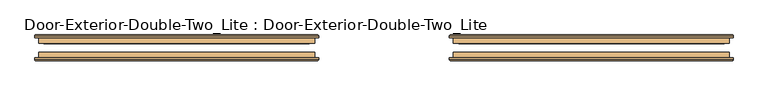
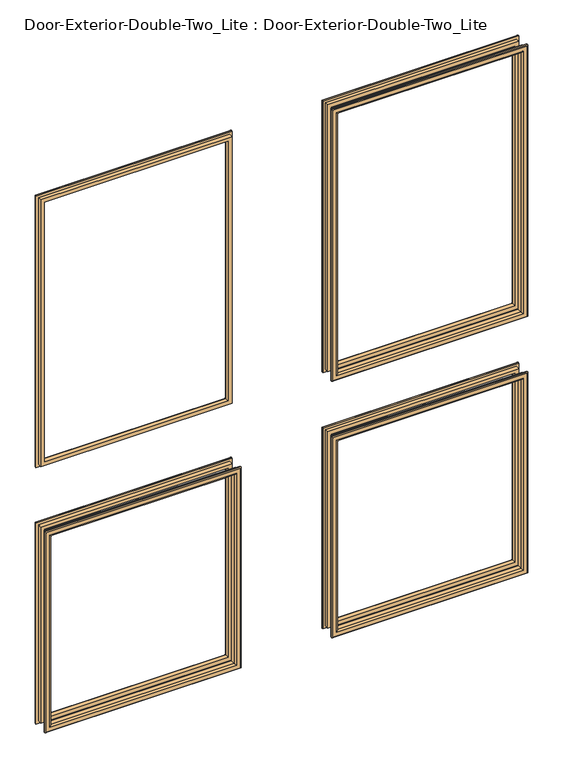
"""IFC4 building model written with IfcOpenShell, lengths in millimetres: door geometry, Door-Exterior-Double-Two_Lite : Door-Exterior-Double-Two_Lite."""

from ifc_helpers import new_model, si_unit, frame, origin, place, context, project, spatial, ellipse_curve, source, transform, mapped, element, save
from ifc_brep_helpers import plane_surface, cylinder_surface, advanced_brep


def door_exterior_double_two_lite_door_exterior_double_two_lite_549a8064(model_context):
    return source(origin(), model_context, "Body", "AdvancedBrep", [
        advanced_brep(
        [(-762.0, 69.85, 914.4), (-762.0, 82.55, 914.4), (-762.0, 82.55, 254.0), (-762.0, 69.85, 254.0), (-750.0, 83.55, 902.4), (-750.0, 69.85, 902.4), (-750.0, 69.85, 266.0), (-750.0, 83.55, 266.0), (-755.0, 88.55, 907.4), (-755.0, 88.55, 261.0), (-770.0, 86.55, 922.4), (-768.0, 88.55, 920.4), (-768.0, 88.55, 248.0), (-770.0, 86.55, 246.0), (-770.0, 82.55, 922.4), (-770.0, 82.55, 246.0), (-152.4, 82.55, 254.0), (-152.4, 69.85, 254.0), (-164.4, 69.85, 266.0), (-164.4, 83.55, 266.0), (-159.4, 88.55, 261.0), (-146.4, 88.55, 248.0), (-144.4, 86.55, 246.0), (-144.4, 82.55, 246.0), (-152.4, 82.55, 914.4), (-152.4, 69.85, 914.4), (-164.4, 69.85, 902.4), (-164.4, 83.55, 902.4), (-159.4, 88.55, 907.4), (-146.4, 88.55, 920.4), (-144.4, 86.55, 922.4), (-144.4, 82.55, 922.4)],
        [
            (0, 1),
            (1, 2),
            (2, 3),
            (3, 0),
            (4, 5),
            (5, 6),
            (6, 7),
            (7, 4),
            (8, 4, ellipse_curve(frame((-755.0, 83.55, 907.4), z_axis=(-0.7071067811865475, 0.0, -0.7071067811865475), x_axis=(-0.7071067811865474, 0.0, 0.7071067811865476)), 7.0710678, 5.0)),
            (7, 9, ellipse_curve(frame((-755.0, 83.55, 261.0), z_axis=(-0.7071067811865475, 0.0, 0.7071067811865475), x_axis=(0.7071067811865474, 0.0, 0.7071067811865476)), 7.0710678, 5.0)),
            (9, 8),
            (10, 11, ellipse_curve(frame((-768.0, 86.55, 920.4), z_axis=(-0.7071067811865475, 0.0, -0.7071067811865475), x_axis=(-0.7071067811865474, 0.0, 0.7071067811865476)), 2.8284271, 2.0)),
            (11, 12),
            (12, 13, ellipse_curve(frame((-768.0, 86.55, 248.0), z_axis=(-0.7071067811865475, 0.0, 0.7071067811865475), x_axis=(0.7071067811865474, 0.0, 0.7071067811865476)), 2.8284271, 2.0)),
            (13, 10),
            (14, 10),
            (13, 15),
            (15, 14),
            (2, 16),
            (16, 17),
            (17, 3),
            (6, 18),
            (18, 19),
            (19, 7),
            (19, 20, ellipse_curve(frame((-159.4, 83.55, 261.0), z_axis=(-0.7071067811865475, 0.0, -0.7071067811865475), x_axis=(-0.7071067811865476, 0.0, 0.7071067811865474)), 7.0710678, 5.0)),
            (20, 9),
            (12, 21),
            (21, 22, ellipse_curve(frame((-146.4, 86.55, 248.0), z_axis=(-0.7071067811865475, 0.0, -0.7071067811865475), x_axis=(-0.7071067811865476, 0.0, 0.7071067811865474)), 2.8284271, 2.0)),
            (22, 13),
            (22, 23),
            (23, 15),
            (16, 24),
            (24, 25),
            (25, 17),
            (18, 26),
            (26, 27),
            (27, 19),
            (27, 28, ellipse_curve(frame((-159.4, 83.55, 907.4), z_axis=(0.7071067811865475, 0.0, -0.7071067811865475), x_axis=(-0.7071067811865474, 0.0, -0.7071067811865476)), 7.0710678, 5.0)),
            (28, 20),
            (21, 29),
            (29, 30, ellipse_curve(frame((-146.4, 86.55, 920.4), z_axis=(0.7071067811865475, 0.0, -0.7071067811865475), x_axis=(-0.7071067811865474, 0.0, -0.7071067811865476)), 2.8284271, 2.0)),
            (30, 22),
            (30, 31),
            (31, 23),
            (31, 14),
            (1, 24),
            (0, 25),
            (5, 26),
            (4, 27),
            (8, 28),
            (11, 29),
            (10, 30),
        ],
        [
            plane_surface(frame((-762.0, 82.55, 914.4), z_axis=(-1.0, 0.0, 0.0), x_axis=(0.0, 0.0, -1.0))),
            plane_surface(frame((-750.0, 69.85, 902.4), z_axis=(1.0, 0.0, 0.0), x_axis=(0.0, 0.0, -1.0))),
            cylinder_surface(frame((-755.0, 83.55, 914.4), z_axis=(0.0, 0.0, 1.0), x_axis=(-1.0, 0.0, 0.0)), 5.0),
            cylinder_surface(frame((-768.0, 86.55, 914.4), z_axis=(0.0, 0.0, 1.0), x_axis=(-1.0, 0.0, 0.0)), 2.0),
            plane_surface(frame((-770.0, 86.55, 922.4), z_axis=(-1.0, 0.0, 0.0), x_axis=(0.0, 0.0, -1.0))),
            plane_surface(frame((-762.0, 82.55, 254.0), z_axis=(0.0, 0.0, -1.0), x_axis=(1.0, 0.0, 0.0))),
            plane_surface(frame((-750.0, 69.85, 266.0), z_axis=(0.0, 0.0, 1.0), x_axis=(1.0, 0.0, 0.0))),
            cylinder_surface(frame((-762.0, 83.55, 261.0), z_axis=(-1.0, 0.0, 0.0), x_axis=(0.0, 0.0, -1.0)), 5.0),
            cylinder_surface(frame((-762.0, 86.55, 248.0), z_axis=(-1.0, 0.0, 0.0), x_axis=(0.0, 0.0, -1.0)), 2.0),
            plane_surface(frame((-770.0, 86.55, 246.0), z_axis=(0.0, 0.0, -1.0), x_axis=(1.0, 0.0, 0.0))),
            plane_surface(frame((-152.4, 82.55, 254.0), z_axis=(1.0, 0.0, 0.0), x_axis=(0.0, 0.0, 1.0))),
            plane_surface(frame((-164.4, 69.85, 266.0), z_axis=(-1.0, 0.0, 0.0), x_axis=(0.0, 0.0, 1.0))),
            cylinder_surface(frame((-159.4, 83.55, 254.0), z_axis=(0.0, 0.0, -1.0), x_axis=(1.0, 0.0, 0.0)), 5.0),
            cylinder_surface(frame((-146.4, 86.55, 254.0), z_axis=(0.0, 0.0, -1.0), x_axis=(1.0, 0.0, 0.0)), 2.0),
            plane_surface(frame((-144.4, 86.55, 246.0), z_axis=(1.0, 0.0, 0.0), x_axis=(0.0, 0.0, 1.0))),
            plane_surface(frame((-144.4, 82.55, 922.4), z_axis=(0.0, -1.0, 0.0), x_axis=(-1.0, 0.0, 0.0))),
            plane_surface(frame((-152.4, 82.55, 914.4), z_axis=(0.0, 0.0, 1.0), x_axis=(-1.0, 0.0, 0.0))),
            plane_surface(frame((-152.4, 69.85, 914.4), z_axis=(0.0, -1.0, 0.0), x_axis=(-1.0, 0.0, 0.0))),
            plane_surface(frame((-164.4, 69.85, 902.4), z_axis=(0.0, 0.0, -1.0), x_axis=(-1.0, 0.0, 0.0))),
            cylinder_surface(frame((-152.4, 83.55, 907.4), z_axis=(1.0, 0.0, 0.0), x_axis=(0.0, 0.0, 1.0)), 5.0),
            plane_surface(frame((-159.4, 88.55, 907.4), z_axis=(0.0, 1.0, 0.0), x_axis=(-1.0, 0.0, 0.0))),
            cylinder_surface(frame((-152.4, 86.55, 920.4), z_axis=(1.0, 0.0, 0.0), x_axis=(0.0, 0.0, 1.0)), 2.0),
            plane_surface(frame((-144.4, 86.55, 922.4), z_axis=(0.0, 0.0, 1.0), x_axis=(-1.0, 0.0, 0.0))),
        ],
        [
            (0, [[1, 2, 3, 4]]),
            (1, [[5, 6, 7, 8]]),
            (2, [[9, -8, 10, 11]]),
            (3, [[12, 13, 14, 15]]),
            (4, [[16, -15, 17, 18]]),
            (5, [[-3, 19, 20, 21]]),
            (6, [[-7, 22, 23, 24]]),
            (7, [[-10, -24, 25, 26]]),
            (8, [[-14, 27, 28, 29]]),
            (9, [[-17, -29, 30, 31]]),
            (10, [[-20, 32, 33, 34]]),
            (11, [[-23, 35, 36, 37]]),
            (12, [[-25, -37, 38, 39]]),
            (13, [[-28, 40, 41, 42]]),
            (14, [[-30, -42, 43, 44]]),
            (15, [[-31, -44, 45, -18], [46, -32, -19, -2]]),
            (16, [[-33, -46, -1, 47]]),
            (17, [[-21, -34, -47, -4], [48, -35, -22, -6]]),
            (18, [[-36, -48, -5, 49]]),
            (19, [[-38, -49, -9, 50]]),
            (20, [[51, -40, -27, -13], [-26, -39, -50, -11]]),
            (21, [[-41, -51, -12, 52]]),
            (22, [[-43, -52, -16, -45]]),
        ],
    ),
        advanced_brep(
        [(152.4, 69.85, 914.4), (152.4, 82.55, 914.4), (152.4, 82.55, 254.0), (152.4, 69.85, 254.0), (164.4, 83.55, 902.4), (164.4, 69.85, 902.4), (164.4, 69.85, 266.0), (164.4, 83.55, 266.0), (159.4, 88.55, 907.4), (159.4, 88.55, 261.0), (144.4, 86.55, 922.4), (146.4, 88.55, 920.4), (146.4, 88.55, 248.0), (144.4, 86.55, 246.0), (144.4, 82.55, 922.4), (144.4, 82.55, 246.0), (762.0, 82.55, 254.0), (762.0, 69.85, 254.0), (750.0, 69.85, 266.0), (750.0, 83.55, 266.0), (755.0, 88.55, 261.0), (768.0, 88.55, 248.0), (770.0, 86.55, 246.0), (770.0, 82.55, 246.0), (762.0, 82.55, 914.4), (762.0, 69.85, 914.4), (750.0, 69.85, 902.4), (750.0, 83.55, 902.4), (755.0, 88.55, 907.4), (768.0, 88.55, 920.4), (770.0, 86.55, 922.4), (770.0, 82.55, 922.4)],
        [
            (0, 1),
            (1, 2),
            (2, 3),
            (3, 0),
            (4, 5),
            (5, 6),
            (6, 7),
            (7, 4),
            (8, 4, ellipse_curve(frame((159.4, 83.55, 907.4), z_axis=(-0.7071067811865475, 0.0, -0.7071067811865475), x_axis=(-0.7071067811865474, 0.0, 0.7071067811865476)), 7.0710678, 5.0)),
            (7, 9, ellipse_curve(frame((159.4, 83.55, 261.0), z_axis=(-0.7071067811865475, 0.0, 0.7071067811865475), x_axis=(0.7071067811865474, 0.0, 0.7071067811865476)), 7.0710678, 5.0)),
            (9, 8),
            (10, 11, ellipse_curve(frame((146.4, 86.55, 920.4), z_axis=(-0.7071067811865475, 0.0, -0.7071067811865475), x_axis=(-0.7071067811865474, 0.0, 0.7071067811865476)), 2.8284271, 2.0)),
            (11, 12),
            (12, 13, ellipse_curve(frame((146.4, 86.55, 248.0), z_axis=(-0.7071067811865475, 0.0, 0.7071067811865475), x_axis=(0.7071067811865474, 0.0, 0.7071067811865476)), 2.8284271, 2.0)),
            (13, 10),
            (14, 10),
            (13, 15),
            (15, 14),
            (2, 16),
            (16, 17),
            (17, 3),
            (6, 18),
            (18, 19),
            (19, 7),
            (19, 20, ellipse_curve(frame((755.0, 83.55, 261.0), z_axis=(-0.7071067811865475, 0.0, -0.7071067811865475), x_axis=(-0.7071067811865476, 0.0, 0.7071067811865474)), 7.0710678, 5.0)),
            (20, 9),
            (12, 21),
            (21, 22, ellipse_curve(frame((768.0, 86.55, 248.0), z_axis=(-0.7071067811865475, 0.0, -0.7071067811865475), x_axis=(-0.7071067811865476, 0.0, 0.7071067811865474)), 2.8284271, 2.0)),
            (22, 13),
            (22, 23),
            (23, 15),
            (16, 24),
            (24, 25),
            (25, 17),
            (18, 26),
            (26, 27),
            (27, 19),
            (27, 28, ellipse_curve(frame((755.0, 83.55, 907.4), z_axis=(0.7071067811865475, 0.0, -0.7071067811865475), x_axis=(-0.7071067811865474, 0.0, -0.7071067811865476)), 7.0710678, 5.0)),
            (28, 20),
            (21, 29),
            (29, 30, ellipse_curve(frame((768.0, 86.55, 920.4), z_axis=(0.7071067811865475, 0.0, -0.7071067811865475), x_axis=(-0.7071067811865474, 0.0, -0.7071067811865476)), 2.8284271, 2.0)),
            (30, 22),
            (30, 31),
            (31, 23),
            (31, 14),
            (1, 24),
            (0, 25),
            (5, 26),
            (4, 27),
            (8, 28),
            (11, 29),
            (10, 30),
        ],
        [
            plane_surface(frame((152.4, 82.55, 914.4), z_axis=(-1.0, 0.0, 0.0), x_axis=(0.0, 0.0, -1.0))),
            plane_surface(frame((164.4, 69.85, 902.4), z_axis=(1.0, 0.0, 0.0), x_axis=(0.0, 0.0, -1.0))),
            cylinder_surface(frame((159.4, 83.55, 914.4), z_axis=(0.0, 0.0, 1.0), x_axis=(-1.0, 0.0, 0.0)), 5.0),
            cylinder_surface(frame((146.4, 86.55, 914.4), z_axis=(0.0, 0.0, 1.0), x_axis=(-1.0, 0.0, 0.0)), 2.0),
            plane_surface(frame((144.4, 86.55, 922.4), z_axis=(-1.0, 0.0, 0.0), x_axis=(0.0, 0.0, -1.0))),
            plane_surface(frame((152.4, 82.55, 254.0), z_axis=(0.0, 0.0, -1.0), x_axis=(1.0, 0.0, 0.0))),
            plane_surface(frame((164.4, 69.85, 266.0), z_axis=(0.0, 0.0, 1.0), x_axis=(1.0, 0.0, 0.0))),
            cylinder_surface(frame((152.4, 83.55, 261.0), z_axis=(-1.0, 0.0, 0.0), x_axis=(0.0, 0.0, -1.0)), 5.0),
            cylinder_surface(frame((152.4, 86.55, 248.0), z_axis=(-1.0, 0.0, 0.0), x_axis=(0.0, 0.0, -1.0)), 2.0),
            plane_surface(frame((144.4, 86.55, 246.0), z_axis=(0.0, 0.0, -1.0), x_axis=(1.0, 0.0, 0.0))),
            plane_surface(frame((762.0, 82.55, 254.0), z_axis=(1.0, 0.0, 0.0), x_axis=(0.0, 0.0, 1.0))),
            plane_surface(frame((750.0, 69.85, 266.0), z_axis=(-1.0, 0.0, 0.0), x_axis=(0.0, 0.0, 1.0))),
            cylinder_surface(frame((755.0, 83.55, 254.0), z_axis=(0.0, 0.0, -1.0), x_axis=(1.0, 0.0, 0.0)), 5.0),
            cylinder_surface(frame((768.0, 86.55, 254.0), z_axis=(0.0, 0.0, -1.0), x_axis=(1.0, 0.0, 0.0)), 2.0),
            plane_surface(frame((770.0, 86.55, 246.0), z_axis=(1.0, 0.0, 0.0), x_axis=(0.0, 0.0, 1.0))),
            plane_surface(frame((770.0, 82.55, 922.4), z_axis=(0.0, -1.0, 0.0), x_axis=(-1.0, 0.0, 0.0))),
            plane_surface(frame((762.0, 82.55, 914.4), z_axis=(0.0, 0.0, 1.0), x_axis=(-1.0, 0.0, 0.0))),
            plane_surface(frame((762.0, 69.85, 914.4), z_axis=(0.0, -1.0, 0.0), x_axis=(-1.0, 0.0, 0.0))),
            plane_surface(frame((750.0, 69.85, 902.4), z_axis=(0.0, 0.0, -1.0), x_axis=(-1.0, 0.0, 0.0))),
            cylinder_surface(frame((762.0, 83.55, 907.4), z_axis=(1.0, 0.0, 0.0), x_axis=(0.0, 0.0, 1.0)), 5.0),
            plane_surface(frame((755.0, 88.55, 907.4), z_axis=(0.0, 1.0, 0.0), x_axis=(-1.0, 0.0, 0.0))),
            cylinder_surface(frame((762.0, 86.55, 920.4), z_axis=(1.0, 0.0, 0.0), x_axis=(0.0, 0.0, 1.0)), 2.0),
            plane_surface(frame((770.0, 86.55, 922.4), z_axis=(0.0, 0.0, 1.0), x_axis=(-1.0, 0.0, 0.0))),
        ],
        [
            (0, [[1, 2, 3, 4]]),
            (1, [[5, 6, 7, 8]]),
            (2, [[9, -8, 10, 11]]),
            (3, [[12, 13, 14, 15]]),
            (4, [[16, -15, 17, 18]]),
            (5, [[-3, 19, 20, 21]]),
            (6, [[-7, 22, 23, 24]]),
            (7, [[-10, -24, 25, 26]]),
            (8, [[-14, 27, 28, 29]]),
            (9, [[-17, -29, 30, 31]]),
            (10, [[-20, 32, 33, 34]]),
            (11, [[-23, 35, 36, 37]]),
            (12, [[-25, -37, 38, 39]]),
            (13, [[-28, 40, 41, 42]]),
            (14, [[-30, -42, 43, 44]]),
            (15, [[-31, -44, 45, -18], [46, -32, -19, -2]]),
            (16, [[-33, -46, -1, 47]]),
            (17, [[-21, -34, -47, -4], [48, -35, -22, -6]]),
            (18, [[-36, -48, -5, 49]]),
            (19, [[-38, -49, -9, 50]]),
            (20, [[51, -40, -27, -13], [-26, -39, -50, -11]]),
            (21, [[-41, -51, -12, 52]]),
            (22, [[-43, -52, -16, -45]]),
        ],
    ),
        advanced_brep(
        [(152.4, 69.85, 2016.125), (152.4, 82.55, 2016.125), (152.4, 82.55, 1117.6), (152.4, 69.85, 1117.6), (164.4, 83.55, 2004.125), (164.4, 69.85, 2004.125), (164.4, 69.85, 1129.6), (164.4, 83.55, 1129.6), (159.4, 88.55, 2009.125), (159.4, 88.55, 1124.6), (144.4, 86.55, 2024.125), (146.4, 88.55, 2022.125), (146.4, 88.55, 1111.6), (144.4, 86.55, 1109.6), (144.4, 82.55, 2024.125), (144.4, 82.55, 1109.6), (762.0, 82.55, 1117.6), (762.0, 69.85, 1117.6), (750.0, 69.85, 1129.6), (750.0, 83.55, 1129.6), (755.0, 88.55, 1124.6), (768.0, 88.55, 1111.6), (770.0, 86.55, 1109.6), (770.0, 82.55, 1109.6), (762.0, 82.55, 2016.125), (762.0, 69.85, 2016.125), (750.0, 69.85, 2004.125), (750.0, 83.55, 2004.125), (755.0, 88.55, 2009.125), (768.0, 88.55, 2022.125), (770.0, 86.55, 2024.125), (770.0, 82.55, 2024.125)],
        [
            (0, 1),
            (1, 2),
            (2, 3),
            (3, 0),
            (4, 5),
            (5, 6),
            (6, 7),
            (7, 4),
            (8, 4, ellipse_curve(frame((159.4, 83.55, 2009.125), z_axis=(-0.7071067811865475, 0.0, -0.7071067811865475), x_axis=(-0.7071067811865474, 0.0, 0.7071067811865476)), 7.0710678, 5.0)),
            (7, 9, ellipse_curve(frame((159.4, 83.55, 1124.6), z_axis=(-0.7071067811865475, 0.0, 0.7071067811865475), x_axis=(0.7071067811865474, 0.0, 0.7071067811865476)), 7.0710678, 5.0)),
            (9, 8),
            (10, 11, ellipse_curve(frame((146.4, 86.55, 2022.125), z_axis=(-0.7071067811865475, 0.0, -0.7071067811865475), x_axis=(-0.7071067811865474, 0.0, 0.7071067811865476)), 2.8284271, 2.0)),
            (11, 12),
            (12, 13, ellipse_curve(frame((146.4, 86.55, 1111.6), z_axis=(-0.7071067811865475, 0.0, 0.7071067811865475), x_axis=(0.7071067811865474, 0.0, 0.7071067811865476)), 2.8284271, 2.0)),
            (13, 10),
            (14, 10),
            (13, 15),
            (15, 14),
            (2, 16),
            (16, 17),
            (17, 3),
            (6, 18),
            (18, 19),
            (19, 7),
            (19, 20, ellipse_curve(frame((755.0, 83.55, 1124.6), z_axis=(-0.7071067811865475, 0.0, -0.7071067811865475), x_axis=(-0.7071067811865476, 0.0, 0.7071067811865474)), 7.0710678, 5.0)),
            (20, 9),
            (12, 21),
            (21, 22, ellipse_curve(frame((768.0, 86.55, 1111.6), z_axis=(-0.7071067811865475, 0.0, -0.7071067811865475), x_axis=(-0.7071067811865476, 0.0, 0.7071067811865474)), 2.8284271, 2.0)),
            (22, 13),
            (22, 23),
            (23, 15),
            (16, 24),
            (24, 25),
            (25, 17),
            (18, 26),
            (26, 27),
            (27, 19),
            (27, 28, ellipse_curve(frame((755.0, 83.55, 2009.125), z_axis=(0.7071067811865475, 0.0, -0.7071067811865475), x_axis=(-0.7071067811865474, 0.0, -0.7071067811865476)), 7.0710678, 5.0)),
            (28, 20),
            (21, 29),
            (29, 30, ellipse_curve(frame((768.0, 86.55, 2022.125), z_axis=(0.7071067811865475, 0.0, -0.7071067811865475), x_axis=(-0.7071067811865474, 0.0, -0.7071067811865476)), 2.8284271, 2.0)),
            (30, 22),
            (30, 31),
            (31, 23),
            (31, 14),
            (1, 24),
            (0, 25),
            (5, 26),
            (4, 27),
            (8, 28),
            (11, 29),
            (10, 30),
        ],
        [
            plane_surface(frame((152.4, 82.55, 2016.125), z_axis=(-1.0, 0.0, 0.0), x_axis=(0.0, 0.0, -1.0))),
            plane_surface(frame((164.4, 69.85, 2004.125), z_axis=(1.0, 0.0, 0.0), x_axis=(0.0, 0.0, -1.0))),
            cylinder_surface(frame((159.4, 83.55, 2016.125), z_axis=(0.0, 0.0, 1.0), x_axis=(-1.0, 0.0, 0.0)), 5.0),
            cylinder_surface(frame((146.4, 86.55, 2016.125), z_axis=(0.0, 0.0, 1.0), x_axis=(-1.0, 0.0, 0.0)), 2.0),
            plane_surface(frame((144.4, 86.55, 2024.125), z_axis=(-1.0, 0.0, 0.0), x_axis=(0.0, 0.0, -1.0))),
            plane_surface(frame((152.4, 82.55, 1117.6), z_axis=(0.0, 0.0, -1.0), x_axis=(1.0, 0.0, 0.0))),
            plane_surface(frame((164.4, 69.85, 1129.6), z_axis=(0.0, 0.0, 1.0), x_axis=(1.0, 0.0, 0.0))),
            cylinder_surface(frame((152.4, 83.55, 1124.6), z_axis=(-1.0, 0.0, 0.0), x_axis=(0.0, 0.0, -1.0)), 5.0),
            cylinder_surface(frame((152.4, 86.55, 1111.6), z_axis=(-1.0, 0.0, 0.0), x_axis=(0.0, 0.0, -1.0)), 2.0),
            plane_surface(frame((144.4, 86.55, 1109.6), z_axis=(0.0, 0.0, -1.0), x_axis=(1.0, 0.0, 0.0))),
            plane_surface(frame((762.0, 82.55, 1117.6), z_axis=(1.0, 0.0, 0.0), x_axis=(0.0, 0.0, 1.0))),
            plane_surface(frame((750.0, 69.85, 1129.6), z_axis=(-1.0, 0.0, 0.0), x_axis=(0.0, 0.0, 1.0))),
            cylinder_surface(frame((755.0, 83.55, 1117.6), z_axis=(0.0, 0.0, -1.0), x_axis=(1.0, 0.0, 0.0)), 5.0),
            cylinder_surface(frame((768.0, 86.55, 1117.6), z_axis=(0.0, 0.0, -1.0), x_axis=(1.0, 0.0, 0.0)), 2.0),
            plane_surface(frame((770.0, 86.55, 1109.6), z_axis=(1.0, 0.0, 0.0), x_axis=(0.0, 0.0, 1.0))),
            plane_surface(frame((770.0, 82.55, 2024.125), z_axis=(0.0, -1.0, 0.0), x_axis=(-1.0, 0.0, 0.0))),
            plane_surface(frame((762.0, 82.55, 2016.125), z_axis=(0.0, 0.0, 1.0), x_axis=(-1.0, 0.0, 0.0))),
            plane_surface(frame((762.0, 69.85, 2016.125), z_axis=(0.0, -1.0, 0.0), x_axis=(-1.0, 0.0, 0.0))),
            plane_surface(frame((750.0, 69.85, 2004.125), z_axis=(0.0, 0.0, -1.0), x_axis=(-1.0, 0.0, 0.0))),
            cylinder_surface(frame((762.0, 83.55, 2009.125), z_axis=(1.0, 0.0, 0.0), x_axis=(0.0, 0.0, 1.0)), 5.0),
            plane_surface(frame((755.0, 88.55, 2009.125), z_axis=(0.0, 1.0, 0.0), x_axis=(-1.0, 0.0, 0.0))),
            cylinder_surface(frame((762.0, 86.55, 2022.125), z_axis=(1.0, 0.0, 0.0), x_axis=(0.0, 0.0, 1.0)), 2.0),
            plane_surface(frame((770.0, 86.55, 2024.125), z_axis=(0.0, 0.0, 1.0), x_axis=(-1.0, 0.0, 0.0))),
        ],
        [
            (0, [[1, 2, 3, 4]]),
            (1, [[5, 6, 7, 8]]),
            (2, [[9, -8, 10, 11]]),
            (3, [[12, 13, 14, 15]]),
            (4, [[16, -15, 17, 18]]),
            (5, [[-3, 19, 20, 21]]),
            (6, [[-7, 22, 23, 24]]),
            (7, [[-10, -24, 25, 26]]),
            (8, [[-14, 27, 28, 29]]),
            (9, [[-17, -29, 30, 31]]),
            (10, [[-20, 32, 33, 34]]),
            (11, [[-23, 35, 36, 37]]),
            (12, [[-25, -37, 38, 39]]),
            (13, [[-28, 40, 41, 42]]),
            (14, [[-30, -42, 43, 44]]),
            (15, [[-31, -44, 45, -18], [46, -32, -19, -2]]),
            (16, [[-33, -46, -1, 47]]),
            (17, [[-21, -34, -47, -4], [48, -35, -22, -6]]),
            (18, [[-36, -48, -5, 49]]),
            (19, [[-38, -49, -9, 50]]),
            (20, [[51, -40, -27, -13], [-26, -39, -50, -11]]),
            (21, [[-41, -51, -12, 52]]),
            (22, [[-43, -52, -16, -45]]),
        ],
    ),
        advanced_brep(
        [(-762.0, 69.85, 2016.125), (-762.0, 82.55, 2016.125), (-762.0, 82.55, 1117.6), (-762.0, 69.85, 1117.6), (-750.0, 83.55, 2004.125), (-750.0, 69.85, 2004.125), (-750.0, 69.85, 1129.6), (-750.0, 83.55, 1129.6), (-755.0, 88.55, 2009.125), (-755.0, 88.55, 1124.6), (-770.0, 86.55, 2024.125), (-768.0, 88.55, 2022.125), (-768.0, 88.55, 1111.6), (-770.0, 86.55, 1109.6), (-770.0, 82.55, 2024.125), (-770.0, 82.55, 1109.6), (-152.4, 82.55, 1117.6), (-152.4, 69.85, 1117.6), (-164.4, 69.85, 1129.6), (-164.4, 83.55, 1129.6), (-159.4, 88.55, 1124.6), (-146.4, 88.55, 1111.6), (-144.4, 86.55, 1109.6), (-144.4, 82.55, 1109.6), (-152.4, 82.55, 2016.125), (-152.4, 69.85, 2016.125), (-164.4, 69.85, 2004.125), (-164.4, 83.55, 2004.125), (-159.4, 88.55, 2009.125), (-146.4, 88.55, 2022.125), (-144.4, 86.55, 2024.125), (-144.4, 82.55, 2024.125)],
        [
            (0, 1),
            (1, 2),
            (2, 3),
            (3, 0),
            (4, 5),
            (5, 6),
            (6, 7),
            (7, 4),
            (8, 4, ellipse_curve(frame((-755.0, 83.55, 2009.125), z_axis=(-0.7071067811865475, 0.0, -0.7071067811865475), x_axis=(-0.7071067811865474, 0.0, 0.7071067811865476)), 7.0710678, 5.0)),
            (7, 9, ellipse_curve(frame((-755.0, 83.55, 1124.6), z_axis=(-0.7071067811865475, 0.0, 0.7071067811865475), x_axis=(0.7071067811865474, 0.0, 0.7071067811865476)), 7.0710678, 5.0)),
            (9, 8),
            (10, 11, ellipse_curve(frame((-768.0, 86.55, 2022.125), z_axis=(-0.7071067811865475, 0.0, -0.7071067811865475), x_axis=(-0.7071067811865474, 0.0, 0.7071067811865476)), 2.8284271, 2.0)),
            (11, 12),
            (12, 13, ellipse_curve(frame((-768.0, 86.55, 1111.6), z_axis=(-0.7071067811865475, 0.0, 0.7071067811865475), x_axis=(0.7071067811865474, 0.0, 0.7071067811865476)), 2.8284271, 2.0)),
            (13, 10),
            (14, 10),
            (13, 15),
            (15, 14),
            (2, 16),
            (16, 17),
            (17, 3),
            (6, 18),
            (18, 19),
            (19, 7),
            (19, 20, ellipse_curve(frame((-159.4, 83.55, 1124.6), z_axis=(-0.7071067811865475, 0.0, -0.7071067811865475), x_axis=(-0.7071067811865476, 0.0, 0.7071067811865474)), 7.0710678, 5.0)),
            (20, 9),
            (12, 21),
            (21, 22, ellipse_curve(frame((-146.4, 86.55, 1111.6), z_axis=(-0.7071067811865475, 0.0, -0.7071067811865475), x_axis=(-0.7071067811865476, 0.0, 0.7071067811865474)), 2.8284271, 2.0)),
            (22, 13),
            (22, 23),
            (23, 15),
            (16, 24),
            (24, 25),
            (25, 17),
            (18, 26),
            (26, 27),
            (27, 19),
            (27, 28, ellipse_curve(frame((-159.4, 83.55, 2009.125), z_axis=(0.7071067811865475, 0.0, -0.7071067811865475), x_axis=(-0.7071067811865474, 0.0, -0.7071067811865476)), 7.0710678, 5.0)),
            (28, 20),
            (21, 29),
            (29, 30, ellipse_curve(frame((-146.4, 86.55, 2022.125), z_axis=(0.7071067811865475, 0.0, -0.7071067811865475), x_axis=(-0.7071067811865474, 0.0, -0.7071067811865476)), 2.8284271, 2.0)),
            (30, 22),
            (30, 31),
            (31, 23),
            (31, 14),
            (1, 24),
            (0, 25),
            (5, 26),
            (4, 27),
            (8, 28),
            (11, 29),
            (10, 30),
        ],
        [
            plane_surface(frame((-762.0, 82.55, 2016.125), z_axis=(-1.0, 0.0, 0.0), x_axis=(0.0, 0.0, -1.0))),
            plane_surface(frame((-750.0, 69.85, 2004.125), z_axis=(1.0, 0.0, 0.0), x_axis=(0.0, 0.0, -1.0))),
            cylinder_surface(frame((-755.0, 83.55, 2016.125), z_axis=(0.0, 0.0, 1.0), x_axis=(-1.0, 0.0, 0.0)), 5.0),
            cylinder_surface(frame((-768.0, 86.55, 2016.125), z_axis=(0.0, 0.0, 1.0), x_axis=(-1.0, 0.0, 0.0)), 2.0),
            plane_surface(frame((-770.0, 86.55, 2024.125), z_axis=(-1.0, 0.0, 0.0), x_axis=(0.0, 0.0, -1.0))),
            plane_surface(frame((-762.0, 82.55, 1117.6), z_axis=(0.0, 0.0, -1.0), x_axis=(1.0, 0.0, 0.0))),
            plane_surface(frame((-750.0, 69.85, 1129.6), z_axis=(0.0, 0.0, 1.0), x_axis=(1.0, 0.0, 0.0))),
            cylinder_surface(frame((-762.0, 83.55, 1124.6), z_axis=(-1.0, 0.0, 0.0), x_axis=(0.0, 0.0, -1.0)), 5.0),
            cylinder_surface(frame((-762.0, 86.55, 1111.6), z_axis=(-1.0, 0.0, 0.0), x_axis=(0.0, 0.0, -1.0)), 2.0),
            plane_surface(frame((-770.0, 86.55, 1109.6), z_axis=(0.0, 0.0, -1.0), x_axis=(1.0, 0.0, 0.0))),
            plane_surface(frame((-152.4, 82.55, 1117.6), z_axis=(1.0, 0.0, 0.0), x_axis=(0.0, 0.0, 1.0))),
            plane_surface(frame((-164.4, 69.85, 1129.6), z_axis=(-1.0, 0.0, 0.0), x_axis=(0.0, 0.0, 1.0))),
            cylinder_surface(frame((-159.4, 83.55, 1117.6), z_axis=(0.0, 0.0, -1.0), x_axis=(1.0, 0.0, 0.0)), 5.0),
            cylinder_surface(frame((-146.4, 86.55, 1117.6), z_axis=(0.0, 0.0, -1.0), x_axis=(1.0, 0.0, 0.0)), 2.0),
            plane_surface(frame((-144.4, 86.55, 1109.6), z_axis=(1.0, 0.0, 0.0), x_axis=(0.0, 0.0, 1.0))),
            plane_surface(frame((-144.4, 82.55, 2024.125), z_axis=(0.0, -1.0, 0.0), x_axis=(-1.0, 0.0, 0.0))),
            plane_surface(frame((-152.4, 82.55, 2016.125), z_axis=(0.0, 0.0, 1.0), x_axis=(-1.0, 0.0, 0.0))),
            plane_surface(frame((-152.4, 69.85, 2016.125), z_axis=(0.0, -1.0, 0.0), x_axis=(-1.0, 0.0, 0.0))),
            plane_surface(frame((-164.4, 69.85, 2004.125), z_axis=(0.0, 0.0, -1.0), x_axis=(-1.0, 0.0, 0.0))),
            cylinder_surface(frame((-152.4, 83.55, 2009.125), z_axis=(1.0, 0.0, 0.0), x_axis=(0.0, 0.0, 1.0)), 5.0),
            plane_surface(frame((-159.4, 88.55, 2009.125), z_axis=(0.0, 1.0, 0.0), x_axis=(-1.0, 0.0, 0.0))),
            cylinder_surface(frame((-152.4, 86.55, 2022.125), z_axis=(1.0, 0.0, 0.0), x_axis=(0.0, 0.0, 1.0)), 2.0),
            plane_surface(frame((-144.4, 86.55, 2024.125), z_axis=(0.0, 0.0, 1.0), x_axis=(-1.0, 0.0, 0.0))),
        ],
        [
            (0, [[1, 2, 3, 4]]),
            (1, [[5, 6, 7, 8]]),
            (2, [[9, -8, 10, 11]]),
            (3, [[12, 13, 14, 15]]),
            (4, [[16, -15, 17, 18]]),
            (5, [[-3, 19, 20, 21]]),
            (6, [[-7, 22, 23, 24]]),
            (7, [[-10, -24, 25, 26]]),
            (8, [[-14, 27, 28, 29]]),
            (9, [[-17, -29, 30, 31]]),
            (10, [[-20, 32, 33, 34]]),
            (11, [[-23, 35, 36, 37]]),
            (12, [[-25, -37, 38, 39]]),
            (13, [[-28, 40, 41, 42]]),
            (14, [[-30, -42, 43, 44]]),
            (15, [[-31, -44, 45, -18], [46, -32, -19, -2]]),
            (16, [[-33, -46, -1, 47]]),
            (17, [[-21, -34, -47, -4], [48, -35, -22, -6]]),
            (18, [[-36, -48, -5, 49]]),
            (19, [[-38, -49, -9, 50]]),
            (20, [[51, -40, -27, -13], [-26, -39, -50, -11]]),
            (21, [[-41, -51, -12, 52]]),
            (22, [[-43, -52, -16, -45]]),
        ],
    ),
        advanced_brep(
        [(-762.0, 50.8, 254.0), (-762.0, 38.1, 254.0), (-762.0, 38.1, 914.4), (-762.0, 50.8, 914.4), (-750.0, 37.1, 266.0), (-750.0, 50.8, 266.0), (-750.0, 50.8, 902.4), (-750.0, 37.1, 902.4), (-755.0, 32.1, 261.0), (-755.0, 32.1, 907.4), (-770.0, 34.1, 246.0), (-768.0, 32.1, 248.0), (-768.0, 32.1, 920.4), (-770.0, 34.1, 922.4), (-770.0, 38.1, 246.0), (-770.0, 38.1, 922.4), (-152.4, 38.1, 914.4), (-152.4, 50.8, 914.4), (-164.4, 50.8, 902.4), (-164.4, 37.1, 902.4), (-159.4, 32.1, 907.4), (-146.4, 32.1, 920.4), (-144.4, 34.1, 922.4), (-144.4, 38.1, 922.4), (-152.4, 38.1, 254.0), (-152.4, 50.8, 254.0), (-164.4, 50.8, 266.0), (-164.4, 37.1, 266.0), (-159.4, 32.1, 261.0), (-146.4, 32.1, 248.0), (-144.4, 34.1, 246.0), (-144.4, 38.1, 246.0)],
        [
            (0, 1),
            (1, 2),
            (2, 3),
            (3, 0),
            (4, 5),
            (5, 6),
            (6, 7),
            (7, 4),
            (8, 4, ellipse_curve(frame((-755.0, 37.1, 261.0), z_axis=(-0.7071067811865475, 0.0, 0.7071067811865475), x_axis=(-0.7071067811865474, 0.0, -0.7071067811865476)), 7.0710678, 5.0)),
            (7, 9, ellipse_curve(frame((-755.0, 37.1, 907.4), z_axis=(-0.7071067811865475, 0.0, -0.7071067811865475), x_axis=(0.7071067811865474, 0.0, -0.7071067811865476)), 7.0710678, 5.0)),
            (9, 8),
            (10, 11, ellipse_curve(frame((-768.0, 34.1, 248.0), z_axis=(-0.7071067811865475, 0.0, 0.7071067811865475), x_axis=(-0.7071067811865474, 0.0, -0.7071067811865476)), 2.8284271, 2.0)),
            (11, 12),
            (12, 13, ellipse_curve(frame((-768.0, 34.1, 920.4), z_axis=(-0.7071067811865475, 0.0, -0.7071067811865475), x_axis=(0.7071067811865474, 0.0, -0.7071067811865476)), 2.8284271, 2.0)),
            (13, 10),
            (14, 10),
            (13, 15),
            (15, 14),
            (2, 16),
            (16, 17),
            (17, 3),
            (6, 18),
            (18, 19),
            (19, 7),
            (19, 20, ellipse_curve(frame((-159.4, 37.1, 907.4), z_axis=(-0.7071067811865475, 0.0, 0.7071067811865475), x_axis=(-0.7071067811865476, 0.0, -0.7071067811865474)), 7.0710678, 5.0)),
            (20, 9),
            (12, 21),
            (21, 22, ellipse_curve(frame((-146.4, 34.1, 920.4), z_axis=(-0.7071067811865475, 0.0, 0.7071067811865475), x_axis=(-0.7071067811865476, 0.0, -0.7071067811865474)), 2.8284271, 2.0)),
            (22, 13),
            (22, 23),
            (23, 15),
            (16, 24),
            (24, 25),
            (25, 17),
            (18, 26),
            (26, 27),
            (27, 19),
            (27, 28, ellipse_curve(frame((-159.4, 37.1, 261.0), z_axis=(0.7071067811865475, 0.0, 0.7071067811865475), x_axis=(-0.7071067811865474, 0.0, 0.7071067811865476)), 7.0710678, 5.0)),
            (28, 20),
            (21, 29),
            (29, 30, ellipse_curve(frame((-146.4, 34.1, 248.0), z_axis=(0.7071067811865475, 0.0, 0.7071067811865475), x_axis=(-0.7071067811865474, 0.0, 0.7071067811865476)), 2.8284271, 2.0)),
            (30, 22),
            (30, 31),
            (31, 23),
            (31, 14),
            (1, 24),
            (0, 25),
            (5, 26),
            (4, 27),
            (8, 28),
            (11, 29),
            (10, 30),
        ],
        [
            plane_surface(frame((-762.0, 38.1, 254.0), z_axis=(-1.0, 0.0, 0.0), x_axis=(0.0, 0.0, 1.0))),
            plane_surface(frame((-750.0, 50.8, 266.0), z_axis=(1.0, 0.0, 0.0), x_axis=(0.0, 0.0, 1.0))),
            cylinder_surface(frame((-755.0, 37.1, 254.0), z_axis=(0.0, 0.0, -1.0), x_axis=(-1.0, 0.0, 0.0)), 5.0),
            cylinder_surface(frame((-768.0, 34.1, 254.0), z_axis=(0.0, 0.0, -1.0), x_axis=(-1.0, 0.0, 0.0)), 2.0),
            plane_surface(frame((-770.0, 34.1, 246.0), z_axis=(-1.0, 0.0, 0.0), x_axis=(0.0, 0.0, 1.0))),
            plane_surface(frame((-762.0, 38.1, 914.4), z_axis=(0.0, 0.0, 1.0), x_axis=(1.0, 0.0, 0.0))),
            plane_surface(frame((-750.0, 50.8, 902.4), z_axis=(0.0, 0.0, -1.0), x_axis=(1.0, 0.0, 0.0))),
            cylinder_surface(frame((-762.0, 37.1, 907.4), z_axis=(-1.0, 0.0, 0.0), x_axis=(0.0, 0.0, 1.0)), 5.0),
            cylinder_surface(frame((-762.0, 34.1, 920.4), z_axis=(-1.0, 0.0, 0.0), x_axis=(0.0, 0.0, 1.0)), 2.0),
            plane_surface(frame((-770.0, 34.1, 922.4), z_axis=(0.0, 0.0, 1.0), x_axis=(1.0, 0.0, 0.0))),
            plane_surface(frame((-152.4, 38.1, 914.4), z_axis=(1.0, 0.0, 0.0), x_axis=(0.0, 0.0, -1.0))),
            plane_surface(frame((-164.4, 50.8, 902.4), z_axis=(-1.0, 0.0, 0.0), x_axis=(0.0, 0.0, -1.0))),
            cylinder_surface(frame((-159.4, 37.1, 914.4), z_axis=(0.0, 0.0, 1.0), x_axis=(1.0, 0.0, 0.0)), 5.0),
            cylinder_surface(frame((-146.4, 34.1, 914.4), z_axis=(0.0, 0.0, 1.0), x_axis=(1.0, 0.0, 0.0)), 2.0),
            plane_surface(frame((-144.4, 34.1, 922.4), z_axis=(1.0, 0.0, 0.0), x_axis=(0.0, 0.0, -1.0))),
            plane_surface(frame((-144.4, 38.1, 246.0), z_axis=(0.0, 1.0, 0.0), x_axis=(-1.0, 0.0, 0.0))),
            plane_surface(frame((-152.4, 38.1, 254.0), z_axis=(0.0, 0.0, -1.0), x_axis=(-1.0, 0.0, 0.0))),
            plane_surface(frame((-152.4, 50.8, 254.0), z_axis=(0.0, 1.0, 0.0), x_axis=(-1.0, 0.0, 0.0))),
            plane_surface(frame((-164.4, 50.8, 266.0), z_axis=(0.0, 0.0, 1.0), x_axis=(-1.0, 0.0, 0.0))),
            cylinder_surface(frame((-152.4, 37.1, 261.0), z_axis=(1.0, 0.0, 0.0), x_axis=(0.0, 0.0, -1.0)), 5.0),
            plane_surface(frame((-159.4, 32.1, 261.0), z_axis=(0.0, -1.0, 0.0), x_axis=(-1.0, 0.0, 0.0))),
            cylinder_surface(frame((-152.4, 34.1, 248.0), z_axis=(1.0, 0.0, 0.0), x_axis=(0.0, 0.0, -1.0)), 2.0),
            plane_surface(frame((-144.4, 34.1, 246.0), z_axis=(0.0, 0.0, -1.0), x_axis=(-1.0, 0.0, 0.0))),
        ],
        [
            (0, [[1, 2, 3, 4]]),
            (1, [[5, 6, 7, 8]]),
            (2, [[9, -8, 10, 11]]),
            (3, [[12, 13, 14, 15]]),
            (4, [[16, -15, 17, 18]]),
            (5, [[-3, 19, 20, 21]]),
            (6, [[-7, 22, 23, 24]]),
            (7, [[-10, -24, 25, 26]]),
            (8, [[-14, 27, 28, 29]]),
            (9, [[-17, -29, 30, 31]]),
            (10, [[-20, 32, 33, 34]]),
            (11, [[-23, 35, 36, 37]]),
            (12, [[-25, -37, 38, 39]]),
            (13, [[-28, 40, 41, 42]]),
            (14, [[-30, -42, 43, 44]]),
            (15, [[-31, -44, 45, -18], [46, -32, -19, -2]]),
            (16, [[-33, -46, -1, 47]]),
            (17, [[-21, -34, -47, -4], [48, -35, -22, -6]]),
            (18, [[-36, -48, -5, 49]]),
            (19, [[-38, -49, -9, 50]]),
            (20, [[51, -40, -27, -13], [-26, -39, -50, -11]]),
            (21, [[-41, -51, -12, 52]]),
            (22, [[-43, -52, -16, -45]]),
        ],
    ),
        advanced_brep(
        [(152.4, 50.8, 254.0), (152.4, 38.1, 254.0), (152.4, 38.1, 914.4), (152.4, 50.8, 914.4), (164.4, 37.1, 266.0), (164.4, 50.8, 266.0), (164.4, 50.8, 902.4), (164.4, 37.1, 902.4), (159.4, 32.1, 261.0), (159.4, 32.1, 907.4), (144.4, 34.1, 246.0), (146.4, 32.1, 248.0), (146.4, 32.1, 920.4), (144.4, 34.1, 922.4), (144.4, 38.1, 246.0), (144.4, 38.1, 922.4), (762.0, 38.1, 914.4), (762.0, 50.8, 914.4), (750.0, 50.8, 902.4), (750.0, 37.1, 902.4), (755.0, 32.1, 907.4), (768.0, 32.1, 920.4), (770.0, 34.1, 922.4), (770.0, 38.1, 922.4), (762.0, 38.1, 254.0), (762.0, 50.8, 254.0), (750.0, 50.8, 266.0), (750.0, 37.1, 266.0), (755.0, 32.1, 261.0), (768.0, 32.1, 248.0), (770.0, 34.1, 246.0), (770.0, 38.1, 246.0)],
        [
            (0, 1),
            (1, 2),
            (2, 3),
            (3, 0),
            (4, 5),
            (5, 6),
            (6, 7),
            (7, 4),
            (8, 4, ellipse_curve(frame((159.4, 37.1, 261.0), z_axis=(-0.7071067811865475, 0.0, 0.7071067811865475), x_axis=(-0.7071067811865474, 0.0, -0.7071067811865476)), 7.0710678, 5.0)),
            (7, 9, ellipse_curve(frame((159.4, 37.1, 907.4), z_axis=(-0.7071067811865475, 0.0, -0.7071067811865475), x_axis=(0.7071067811865474, 0.0, -0.7071067811865476)), 7.0710678, 5.0)),
            (9, 8),
            (10, 11, ellipse_curve(frame((146.4, 34.1, 248.0), z_axis=(-0.7071067811865475, 0.0, 0.7071067811865475), x_axis=(-0.7071067811865474, 0.0, -0.7071067811865476)), 2.8284271, 2.0)),
            (11, 12),
            (12, 13, ellipse_curve(frame((146.4, 34.1, 920.4), z_axis=(-0.7071067811865475, 0.0, -0.7071067811865475), x_axis=(0.7071067811865474, 0.0, -0.7071067811865476)), 2.8284271, 2.0)),
            (13, 10),
            (14, 10),
            (13, 15),
            (15, 14),
            (2, 16),
            (16, 17),
            (17, 3),
            (6, 18),
            (18, 19),
            (19, 7),
            (19, 20, ellipse_curve(frame((755.0, 37.1, 907.4), z_axis=(-0.7071067811865475, 0.0, 0.7071067811865475), x_axis=(-0.7071067811865476, 0.0, -0.7071067811865474)), 7.0710678, 5.0)),
            (20, 9),
            (12, 21),
            (21, 22, ellipse_curve(frame((768.0, 34.1, 920.4), z_axis=(-0.7071067811865475, 0.0, 0.7071067811865475), x_axis=(-0.7071067811865476, 0.0, -0.7071067811865474)), 2.8284271, 2.0)),
            (22, 13),
            (22, 23),
            (23, 15),
            (16, 24),
            (24, 25),
            (25, 17),
            (18, 26),
            (26, 27),
            (27, 19),
            (27, 28, ellipse_curve(frame((755.0, 37.1, 261.0), z_axis=(0.7071067811865475, 0.0, 0.7071067811865475), x_axis=(-0.7071067811865474, 0.0, 0.7071067811865476)), 7.0710678, 5.0)),
            (28, 20),
            (21, 29),
            (29, 30, ellipse_curve(frame((768.0, 34.1, 248.0), z_axis=(0.7071067811865475, 0.0, 0.7071067811865475), x_axis=(-0.7071067811865474, 0.0, 0.7071067811865476)), 2.8284271, 2.0)),
            (30, 22),
            (30, 31),
            (31, 23),
            (31, 14),
            (1, 24),
            (0, 25),
            (5, 26),
            (4, 27),
            (8, 28),
            (11, 29),
            (10, 30),
        ],
        [
            plane_surface(frame((152.4, 38.1, 254.0), z_axis=(-1.0, 0.0, 0.0), x_axis=(0.0, 0.0, 1.0))),
            plane_surface(frame((164.4, 50.8, 266.0), z_axis=(1.0, 0.0, 0.0), x_axis=(0.0, 0.0, 1.0))),
            cylinder_surface(frame((159.4, 37.1, 254.0), z_axis=(0.0, 0.0, -1.0), x_axis=(-1.0, 0.0, 0.0)), 5.0),
            cylinder_surface(frame((146.4, 34.1, 254.0), z_axis=(0.0, 0.0, -1.0), x_axis=(-1.0, 0.0, 0.0)), 2.0),
            plane_surface(frame((144.4, 34.1, 246.0), z_axis=(-1.0, 0.0, 0.0), x_axis=(0.0, 0.0, 1.0))),
            plane_surface(frame((152.4, 38.1, 914.4), z_axis=(0.0, 0.0, 1.0), x_axis=(1.0, 0.0, 0.0))),
            plane_surface(frame((164.4, 50.8, 902.4), z_axis=(0.0, 0.0, -1.0), x_axis=(1.0, 0.0, 0.0))),
            cylinder_surface(frame((152.4, 37.1, 907.4), z_axis=(-1.0, 0.0, 0.0), x_axis=(0.0, 0.0, 1.0)), 5.0),
            cylinder_surface(frame((152.4, 34.1, 920.4), z_axis=(-1.0, 0.0, 0.0), x_axis=(0.0, 0.0, 1.0)), 2.0),
            plane_surface(frame((144.4, 34.1, 922.4), z_axis=(0.0, 0.0, 1.0), x_axis=(1.0, 0.0, 0.0))),
            plane_surface(frame((762.0, 38.1, 914.4), z_axis=(1.0, 0.0, 0.0), x_axis=(0.0, 0.0, -1.0))),
            plane_surface(frame((750.0, 50.8, 902.4), z_axis=(-1.0, 0.0, 0.0), x_axis=(0.0, 0.0, -1.0))),
            cylinder_surface(frame((755.0, 37.1, 914.4), z_axis=(0.0, 0.0, 1.0), x_axis=(1.0, 0.0, 0.0)), 5.0),
            cylinder_surface(frame((768.0, 34.1, 914.4), z_axis=(0.0, 0.0, 1.0), x_axis=(1.0, 0.0, 0.0)), 2.0),
            plane_surface(frame((770.0, 34.1, 922.4), z_axis=(1.0, 0.0, 0.0), x_axis=(0.0, 0.0, -1.0))),
            plane_surface(frame((770.0, 38.1, 246.0), z_axis=(0.0, 1.0, 0.0), x_axis=(-1.0, 0.0, 0.0))),
            plane_surface(frame((762.0, 38.1, 254.0), z_axis=(0.0, 0.0, -1.0), x_axis=(-1.0, 0.0, 0.0))),
            plane_surface(frame((762.0, 50.8, 254.0), z_axis=(0.0, 1.0, 0.0), x_axis=(-1.0, 0.0, 0.0))),
            plane_surface(frame((750.0, 50.8, 266.0), z_axis=(0.0, 0.0, 1.0), x_axis=(-1.0, 0.0, 0.0))),
            cylinder_surface(frame((762.0, 37.1, 261.0), z_axis=(1.0, 0.0, 0.0), x_axis=(0.0, 0.0, -1.0)), 5.0),
            plane_surface(frame((755.0, 32.1, 261.0), z_axis=(0.0, -1.0, 0.0), x_axis=(-1.0, 0.0, 0.0))),
            cylinder_surface(frame((762.0, 34.1, 248.0), z_axis=(1.0, 0.0, 0.0), x_axis=(0.0, 0.0, -1.0)), 2.0),
            plane_surface(frame((770.0, 34.1, 246.0), z_axis=(0.0, 0.0, -1.0), x_axis=(-1.0, 0.0, 0.0))),
        ],
        [
            (0, [[1, 2, 3, 4]]),
            (1, [[5, 6, 7, 8]]),
            (2, [[9, -8, 10, 11]]),
            (3, [[12, 13, 14, 15]]),
            (4, [[16, -15, 17, 18]]),
            (5, [[-3, 19, 20, 21]]),
            (6, [[-7, 22, 23, 24]]),
            (7, [[-10, -24, 25, 26]]),
            (8, [[-14, 27, 28, 29]]),
            (9, [[-17, -29, 30, 31]]),
            (10, [[-20, 32, 33, 34]]),
            (11, [[-23, 35, 36, 37]]),
            (12, [[-25, -37, 38, 39]]),
            (13, [[-28, 40, 41, 42]]),
            (14, [[-30, -42, 43, 44]]),
            (15, [[-31, -44, 45, -18], [46, -32, -19, -2]]),
            (16, [[-33, -46, -1, 47]]),
            (17, [[-21, -34, -47, -4], [48, -35, -22, -6]]),
            (18, [[-36, -48, -5, 49]]),
            (19, [[-38, -49, -9, 50]]),
            (20, [[51, -40, -27, -13], [-26, -39, -50, -11]]),
            (21, [[-41, -51, -12, 52]]),
            (22, [[-43, -52, -16, -45]]),
        ],
    ),
        advanced_brep(
        [(152.4, 50.8, 1117.6), (152.4, 38.1, 1117.6), (152.4, 38.1, 2016.125), (152.4, 50.8, 2016.125), (164.4, 37.1, 1129.6), (164.4, 50.8, 1129.6), (164.4, 50.8, 2004.125), (164.4, 37.1, 2004.125), (159.4, 32.1, 1124.6), (159.4, 32.1, 2009.125), (144.4, 34.1, 1109.6), (146.4, 32.1, 1111.6), (146.4, 32.1, 2022.125), (144.4, 34.1, 2024.125), (144.4, 38.1, 1109.6), (144.4, 38.1, 2024.125), (762.0, 38.1, 2016.125), (762.0, 50.8, 2016.125), (750.0, 50.8, 2004.125), (750.0, 37.1, 2004.125), (755.0, 32.1, 2009.125), (768.0, 32.1, 2022.125), (770.0, 34.1, 2024.125), (770.0, 38.1, 2024.125), (762.0, 38.1, 1117.6), (762.0, 50.8, 1117.6), (750.0, 50.8, 1129.6), (750.0, 37.1, 1129.6), (755.0, 32.1, 1124.6), (768.0, 32.1, 1111.6), (770.0, 34.1, 1109.6), (770.0, 38.1, 1109.6)],
        [
            (0, 1),
            (1, 2),
            (2, 3),
            (3, 0),
            (4, 5),
            (5, 6),
            (6, 7),
            (7, 4),
            (8, 4, ellipse_curve(frame((159.4, 37.1, 1124.6), z_axis=(-0.7071067811865475, 0.0, 0.7071067811865475), x_axis=(-0.7071067811865474, 0.0, -0.7071067811865476)), 7.0710678, 5.0)),
            (7, 9, ellipse_curve(frame((159.4, 37.1, 2009.125), z_axis=(-0.7071067811865475, 0.0, -0.7071067811865475), x_axis=(0.7071067811865474, 0.0, -0.7071067811865476)), 7.0710678, 5.0)),
            (9, 8),
            (10, 11, ellipse_curve(frame((146.4, 34.1, 1111.6), z_axis=(-0.7071067811865475, 0.0, 0.7071067811865475), x_axis=(-0.7071067811865474, 0.0, -0.7071067811865476)), 2.8284271, 2.0)),
            (11, 12),
            (12, 13, ellipse_curve(frame((146.4, 34.1, 2022.125), z_axis=(-0.7071067811865475, 0.0, -0.7071067811865475), x_axis=(0.7071067811865474, 0.0, -0.7071067811865476)), 2.8284271, 2.0)),
            (13, 10),
            (14, 10),
            (13, 15),
            (15, 14),
            (2, 16),
            (16, 17),
            (17, 3),
            (6, 18),
            (18, 19),
            (19, 7),
            (19, 20, ellipse_curve(frame((755.0, 37.1, 2009.125), z_axis=(-0.7071067811865475, 0.0, 0.7071067811865475), x_axis=(-0.7071067811865476, 0.0, -0.7071067811865474)), 7.0710678, 5.0)),
            (20, 9),
            (12, 21),
            (21, 22, ellipse_curve(frame((768.0, 34.1, 2022.125), z_axis=(-0.7071067811865475, 0.0, 0.7071067811865475), x_axis=(-0.7071067811865476, 0.0, -0.7071067811865474)), 2.8284271, 2.0)),
            (22, 13),
            (22, 23),
            (23, 15),
            (16, 24),
            (24, 25),
            (25, 17),
            (18, 26),
            (26, 27),
            (27, 19),
            (27, 28, ellipse_curve(frame((755.0, 37.1, 1124.6), z_axis=(0.7071067811865475, 0.0, 0.7071067811865475), x_axis=(-0.7071067811865474, 0.0, 0.7071067811865476)), 7.0710678, 5.0)),
            (28, 20),
            (21, 29),
            (29, 30, ellipse_curve(frame((768.0, 34.1, 1111.6), z_axis=(0.7071067811865475, 0.0, 0.7071067811865475), x_axis=(-0.7071067811865474, 0.0, 0.7071067811865476)), 2.8284271, 2.0)),
            (30, 22),
            (30, 31),
            (31, 23),
            (31, 14),
            (1, 24),
            (0, 25),
            (5, 26),
            (4, 27),
            (8, 28),
            (11, 29),
            (10, 30),
        ],
        [
            plane_surface(frame((152.4, 38.1, 1117.6), z_axis=(-1.0, 0.0, 0.0), x_axis=(0.0, 0.0, 1.0))),
            plane_surface(frame((164.4, 50.8, 1129.6), z_axis=(1.0, 0.0, 0.0), x_axis=(0.0, 0.0, 1.0))),
            cylinder_surface(frame((159.4, 37.1, 1117.6), z_axis=(0.0, 0.0, -1.0), x_axis=(-1.0, 0.0, 0.0)), 5.0),
            cylinder_surface(frame((146.4, 34.1, 1117.6), z_axis=(0.0, 0.0, -1.0), x_axis=(-1.0, 0.0, 0.0)), 2.0),
            plane_surface(frame((144.4, 34.1, 1109.6), z_axis=(-1.0, 0.0, 0.0), x_axis=(0.0, 0.0, 1.0))),
            plane_surface(frame((152.4, 38.1, 2016.125), z_axis=(0.0, 0.0, 1.0), x_axis=(1.0, 0.0, 0.0))),
            plane_surface(frame((164.4, 50.8, 2004.125), z_axis=(0.0, 0.0, -1.0), x_axis=(1.0, 0.0, 0.0))),
            cylinder_surface(frame((152.4, 37.1, 2009.125), z_axis=(-1.0, 0.0, 0.0), x_axis=(0.0, 0.0, 1.0)), 5.0),
            cylinder_surface(frame((152.4, 34.1, 2022.125), z_axis=(-1.0, 0.0, 0.0), x_axis=(0.0, 0.0, 1.0)), 2.0),
            plane_surface(frame((144.4, 34.1, 2024.125), z_axis=(0.0, 0.0, 1.0), x_axis=(1.0, 0.0, 0.0))),
            plane_surface(frame((762.0, 38.1, 2016.125), z_axis=(1.0, 0.0, 0.0), x_axis=(0.0, 0.0, -1.0))),
            plane_surface(frame((750.0, 50.8, 2004.125), z_axis=(-1.0, 0.0, 0.0), x_axis=(0.0, 0.0, -1.0))),
            cylinder_surface(frame((755.0, 37.1, 2016.125), z_axis=(0.0, 0.0, 1.0), x_axis=(1.0, 0.0, 0.0)), 5.0),
            cylinder_surface(frame((768.0, 34.1, 2016.125), z_axis=(0.0, 0.0, 1.0), x_axis=(1.0, 0.0, 0.0)), 2.0),
            plane_surface(frame((770.0, 34.1, 2024.125), z_axis=(1.0, 0.0, 0.0), x_axis=(0.0, 0.0, -1.0))),
            plane_surface(frame((770.0, 38.1, 1109.6), z_axis=(0.0, 1.0, 0.0), x_axis=(-1.0, 0.0, 0.0))),
            plane_surface(frame((762.0, 38.1, 1117.6), z_axis=(0.0, 0.0, -1.0), x_axis=(-1.0, 0.0, 0.0))),
            plane_surface(frame((762.0, 50.8, 1117.6), z_axis=(0.0, 1.0, 0.0), x_axis=(-1.0, 0.0, 0.0))),
            plane_surface(frame((750.0, 50.8, 1129.6), z_axis=(0.0, 0.0, 1.0), x_axis=(-1.0, 0.0, 0.0))),
            cylinder_surface(frame((762.0, 37.1, 1124.6), z_axis=(1.0, 0.0, 0.0), x_axis=(0.0, 0.0, -1.0)), 5.0),
            plane_surface(frame((755.0, 32.1, 1124.6), z_axis=(0.0, -1.0, 0.0), x_axis=(-1.0, 0.0, 0.0))),
            cylinder_surface(frame((762.0, 34.1, 1111.6), z_axis=(1.0, 0.0, 0.0), x_axis=(0.0, 0.0, -1.0)), 2.0),
            plane_surface(frame((770.0, 34.1, 1109.6), z_axis=(0.0, 0.0, -1.0), x_axis=(-1.0, 0.0, 0.0))),
        ],
        [
            (0, [[1, 2, 3, 4]]),
            (1, [[5, 6, 7, 8]]),
            (2, [[9, -8, 10, 11]]),
            (3, [[12, 13, 14, 15]]),
            (4, [[16, -15, 17, 18]]),
            (5, [[-3, 19, 20, 21]]),
            (6, [[-7, 22, 23, 24]]),
            (7, [[-10, -24, 25, 26]]),
            (8, [[-14, 27, 28, 29]]),
            (9, [[-17, -29, 30, 31]]),
            (10, [[-20, 32, 33, 34]]),
            (11, [[-23, 35, 36, 37]]),
            (12, [[-25, -37, 38, 39]]),
            (13, [[-28, 40, 41, 42]]),
            (14, [[-30, -42, 43, 44]]),
            (15, [[-31, -44, 45, -18], [46, -32, -19, -2]]),
            (16, [[-33, -46, -1, 47]]),
            (17, [[-21, -34, -47, -4], [48, -35, -22, -6]]),
            (18, [[-36, -48, -5, 49]]),
            (19, [[-38, -49, -9, 50]]),
            (20, [[51, -40, -27, -13], [-26, -39, -50, -11]]),
            (21, [[-41, -51, -12, 52]]),
            (22, [[-43, -52, -16, -45]]),
        ],
    ),
    ])


if __name__ == "__main__":
    model = new_model("IFC4")
    model_context = context("Model", 3, world=origin())
    ifc_project = project(units=[si_unit("LENGTHUNIT", "METRE", prefix="MILLI")], contexts=[model_context])
    site = spatial("IfcSite", under=ifc_project)
    building = spatial("IfcBuilding", under=site)
    placement = place(None, origin())
    door_exterior_double_two_lite_door_exterior_double_two_lite_shape = door_exterior_double_two_lite_door_exterior_double_two_lite_549a8064(model_context)
    element("IfcDoor", 1, ObjectType="Door-Exterior-Double-Two_Lite : Door-Exterior-Double-Two_Lite", at=placement, inside=building, context=model_context, shape_type="MappedRepresentation", body=[
        mapped(door_exterior_double_two_lite_door_exterior_double_two_lite_shape, transform((0.0, 0.0, 0.0), x_axis=(1.0, 0.0, 0.0), y_axis=(0.0, 1.0, 0.0), z_axis=(0.0, 0.0, 1.0))),
    ])
    save(model, "model.ifc")
